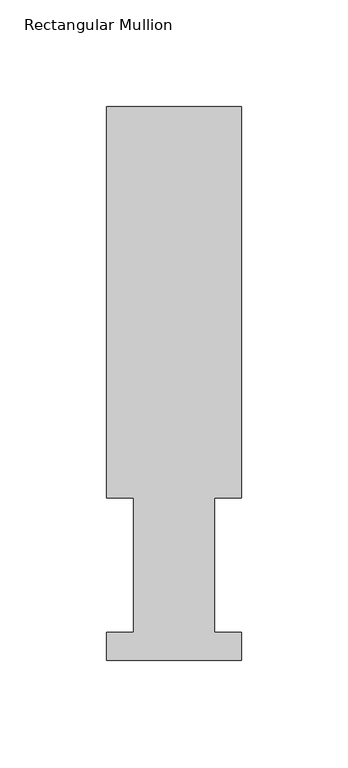
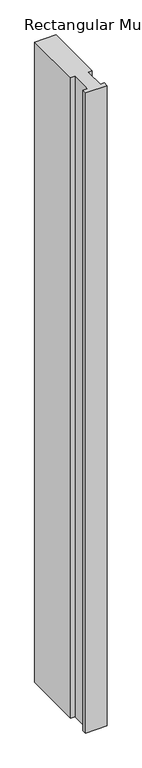
"""IFC4 building model written with IfcOpenShell, lengths in millimetres: member geometry, Rectangular Mullion."""

from ifc_helpers import new_model, si_unit, frame, origin, place, context, project, spatial, polyline, outline, extrude, source, transform, mapped, element, save


def rectangular_mullion_c803b656(model_context):
    return source(origin(), model_context, "Body", "SweptSolid", [
        extrude(outline(polyline([(31.75, 76.2992188), (19.05, 76.2992188), (19.05, 13.1492189), (31.75, 13.1492189), (31.75, -0.0333811), (-31.75, -0.0333811), (-31.75, 13.1492189), (-19.05, 13.1492189), (-19.05, 76.2992188), (-31.75, 76.2992188), (-31.75, 259.9671074), (31.75, 259.9671074), (31.75, 76.2992188)])), frame((0.0, 0.0, -1993.9), z_axis=(0.0, 0.0, 1.0), x_axis=(1.0, 0.0, 0.0)), (0.0, 0.0, 1.0), 1993.9),
    ])


if __name__ == "__main__":
    model = new_model("IFC4")
    model_context = context("Model", 3, world=origin())
    ifc_project = project(units=[si_unit("LENGTHUNIT", "METRE", prefix="MILLI")], contexts=[model_context])
    site = spatial("IfcSite", under=ifc_project)
    building = spatial("IfcBuilding", under=site)
    placement = place(None, origin())
    rectangular_mullion_shape = rectangular_mullion_c803b656(model_context)
    element("IfcMember", 1, ObjectType="Rectangular Mullion", at=placement, inside=building, context=model_context, shape_type="MappedRepresentation", body=[
        mapped(rectangular_mullion_shape, transform((0.0, 0.0, 0.0), x_axis=(1.0, 0.0, 0.0), y_axis=(0.0, 1.0, 0.0), z_axis=(0.0, 0.0, 1.0))),
    ])
    save(model, "model.ifc")
